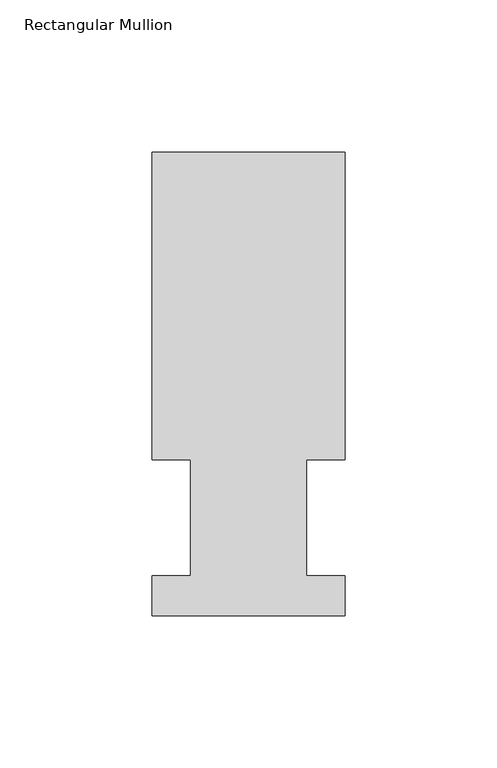
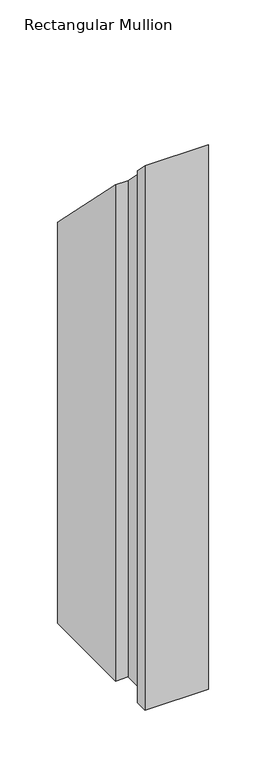
"""IFC4 building model written with IfcOpenShell, lengths in millimetres: member geometry, Rectangular Mullion."""

from ifc_helpers import new_model, si_unit, origin, place, context, project, spatial, faceted_brep, source, transform, mapped, element, save


def rectangular_mullion_620dd145(model_context):
    return source(origin(), model_context, "Body", "Brep", [
        faceted_brep([(-63.5, 152.4896937, -577.81825), (0.0127, 152.4896937, -577.81825), (0.0127, 51.2960937, -577.81825), (-12.6873, 51.2960938, -577.81825), (-12.6873, 13.1960937, -577.81825), (0.0, 13.1960937, -577.81825), (0.0, 0.0134937, -577.81825), (-63.5, 0.0134937, -577.81825), (-63.5, 13.1960937, -577.81825), (-50.8000001, 13.1960937, -577.81825), (-50.8000001, 51.2960937, -577.81825), (-63.5, 51.2960937, -577.81825), (-63.5, 51.2960937, -51.2960937), (-63.5, 152.4896937, -152.4896937), (-50.8000001, 51.2960937, -51.2960937), (-50.8000001, 13.1960937, -13.1960937), (-63.5, 13.1960937, -13.1960937), (-63.5, 0.0134937, -0.0134937), (0.0, 0.0134937, -0.0134937), (0.0, 13.1960937, -13.1960937), (-12.6873, 13.1960937, -13.1960937), (-12.6873, 51.2960938, -51.2960937), (0.0127, 51.2960937, -51.2960937), (0.0127, 152.4896937, -152.4896937)], [[[0, 1, 2, 3, 4, 5, 6, 7, 8, 9, 10, 11]], [[12, 13, 0, 11]], [[14, 12, 11, 10]], [[15, 14, 10, 9]], [[16, 15, 9, 8]], [[17, 16, 8, 7]], [[18, 17, 7, 6]], [[19, 18, 6, 5]], [[20, 19, 5, 4]], [[21, 20, 4, 3]], [[22, 21, 3, 2]], [[23, 22, 2, 1]], [[13, 23, 1, 0]], [[13, 12, 14, 15, 16, 17, 18, 19, 20, 21, 22, 23]]]),
    ])


if __name__ == "__main__":
    model = new_model("IFC4")
    model_context = context("Model", 3, world=origin())
    ifc_project = project(units=[si_unit("LENGTHUNIT", "METRE", prefix="MILLI")], contexts=[model_context])
    site = spatial("IfcSite", under=ifc_project)
    building = spatial("IfcBuilding", under=site)
    placement = place(None, origin())
    rectangular_mullion_shape = rectangular_mullion_620dd145(model_context)
    element("IfcMember", 1, ObjectType="Rectangular Mullion", at=placement, inside=building, context=model_context, shape_type="MappedRepresentation", body=[
        mapped(rectangular_mullion_shape, transform((0.0, 0.0, 0.0), x_axis=(1.0, 0.0, 0.0), y_axis=(0.0, 1.0, 0.0), z_axis=(0.0, 0.0, 1.0))),
    ])
    save(model, "model.ifc")
